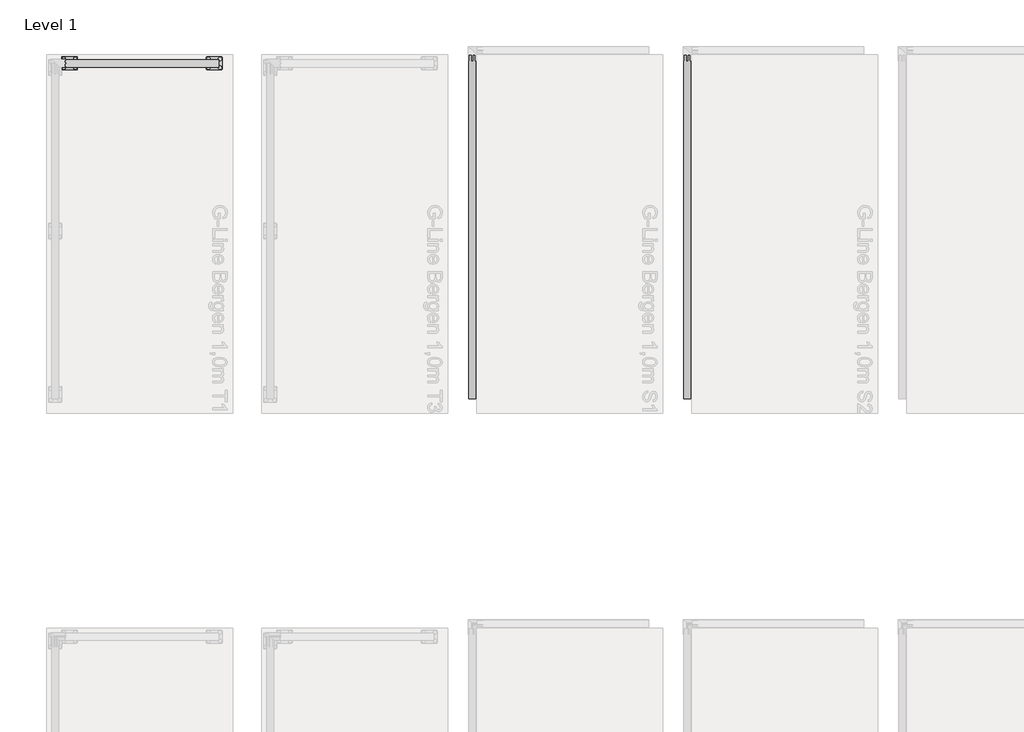
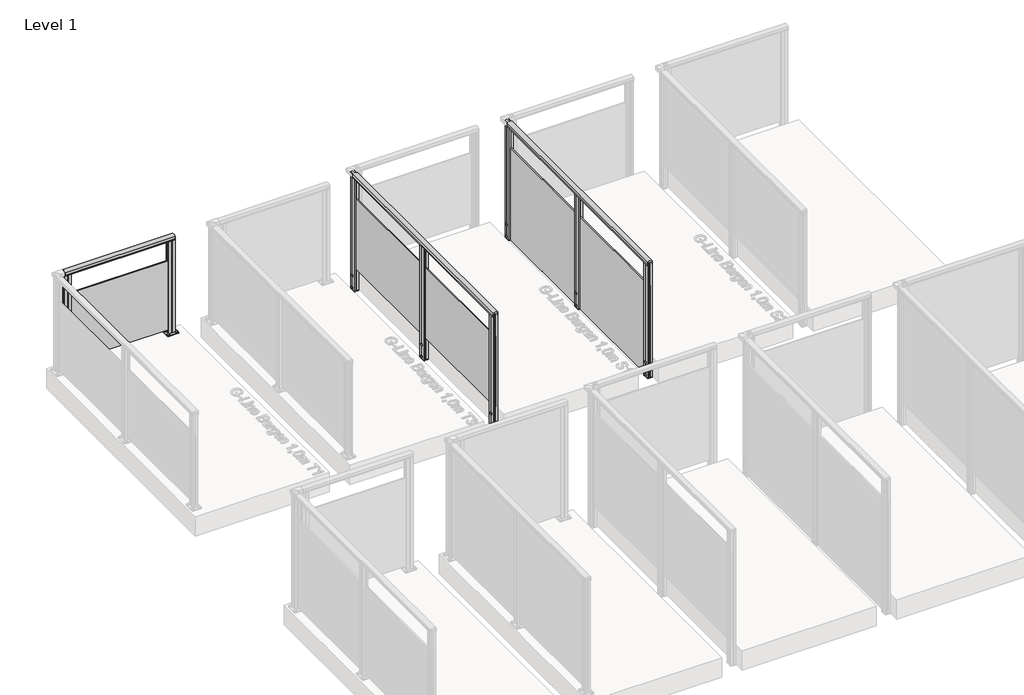
# One storey, part 6 of 13: 3 railings.
"""IFC4 building model written with IfcOpenShell, lengths in millimetres."""

import ifcopenshell
import ifcopenshell.guid

model = None  # the IFC model being written
_history = None  # IfcOwnerHistory: only IFC2X3 demands one
_inside = {}  # id of a spatial element -> (the spatial element, [elements in it])
_under = {}  # id of a project, library or spatial element -> (it, [spatial elements below it])
_declared = {}  # id of a project -> (the project, [libraries it declares])
_typed = {}  # id of a type object -> (the type object, [elements of that type])
_made_of = {}  # id of a material, layer set ... -> (it, [elements and type objects made of it])


def new_model(schema):
    """Start an empty IFC model of exactly this schema.

    Asked for "IFC4X3", IfcOpenShell would pick the latest addendum, in which some entities
    have other attributes; the version numbers below select the first issue.
    IFC2X3 requires an IfcOwnerHistory on every rooted entity: one is made here for all.
    """
    global model, _history
    if schema == "IFC4X3":
        model = ifcopenshell.file(schema_version=(4, 3, 0, 0))
    else:
        model = ifcopenshell.file(schema=schema)
    _inside.clear()
    _under.clear()
    _declared.clear()
    _typed.clear()
    _made_of.clear()
    _history = None
    if model.schema == "IFC2X3":
        org = make("IfcOrganization", Name="unknown")
        user = make(
            "IfcPersonAndOrganization",
            ThePerson=make("IfcPerson", FamilyName="unknown"),
            TheOrganization=org,
        )
        app = make(
            "IfcApplication",
            ApplicationDeveloper=org,
            Version="unknown",
            ApplicationFullName="unknown",
            ApplicationIdentifier="unknown",
        )
        _history = make(
            "IfcOwnerHistory",
            OwningUser=user,
            OwningApplication=app,
            ChangeAction="ADDED",
            CreationDate=0,
        )
    return model


def make(cls, **values):
    """One entity of the class cls with the attributes given. An attribute that is None is left unset."""
    return model.create_entity(
        cls, **{name: value for name, value in values.items() if value is not None}
    )


def rooted(cls, **values):
    """An entity with a GlobalId (a new one), such as an element, a storey or a relation."""
    return make(cls, GlobalId=ifcopenshell.guid.new(), OwnerHistory=_history, **values)


def si_unit(unit_type, name, prefix=None):
    """IfcSIUnit, for example si_unit("LENGTHUNIT", "METRE", prefix="MILLI")."""
    return make("IfcSIUnit", UnitType=unit_type, Prefix=prefix, Name=name)


def assignment(units):
    """IfcUnitAssignment: the units of a project."""
    return None if units is None else make("IfcUnitAssignment", Units=units)


def point(xyz):
    """IfcCartesianPoint."""
    return None if xyz is None else make("IfcCartesianPoint", Coordinates=xyz)


def direction(xyz):
    """IfcDirection."""
    return None if xyz is None else make("IfcDirection", DirectionRatios=xyz)


def frame(location, z_axis=None, x_axis=None):
    """IfcAxis2Placement3D, a coordinate frame: its origin and axes. An axis left out is left unset."""
    return make(
        "IfcAxis2Placement3D",
        Location=point(location),
        Axis=direction(z_axis),
        RefDirection=direction(x_axis),
    )


def frame_2d(location, x_axis=None):
    """IfcAxis2Placement2D, a coordinate frame in the plane: its origin and x axis."""
    return make(
        "IfcAxis2Placement2D", Location=point(location), RefDirection=direction(x_axis)
    )


def origin():
    """The frame at (0, 0, 0) with its axes left unset."""
    return frame((0.0, 0.0, 0.0))


def origin_with_axes():
    """The frame at (0, 0, 0) with the z axis (0, 0, 1) and the x axis (1, 0, 0) written out."""
    return frame((0.0, 0.0, 0.0), z_axis=(0.0, 0.0, 1.0), x_axis=(1.0, 0.0, 0.0))


def place(relative_to, where):
    """IfcLocalPlacement: puts the frame where relative to a parent placement (None: the world)."""
    return make(
        "IfcLocalPlacement", PlacementRelTo=relative_to, RelativePlacement=where
    )


def context(
    kind, dimensions, precision=None, world=None, true_north=None, identifier=None
):
    """IfcGeometricRepresentationContext, for example the 3D "Model" context."""
    return make(
        "IfcGeometricRepresentationContext",
        ContextIdentifier=identifier,
        ContextType=kind,
        CoordinateSpaceDimension=dimensions,
        Precision=precision,
        WorldCoordinateSystem=world,
        TrueNorth=true_north,
    )


def project(units=None, contexts=None):
    """IfcProject with its units and contexts."""
    return rooted(
        "IfcProject",
        Name="project",
        RepresentationContexts=contexts,
        UnitsInContext=assignment(units),
    )


def spatial(cls, under=None, at=None, **own):
    """A site, building, storey or space (cls), placed at a placement, below another one or the project."""
    s = rooted(cls, ObjectPlacement=at, **own)
    if under is not None:
        _under.setdefault(under.id(), (under, []))[1].append(s)
    return s


def polyline(points):
    """IfcPolyline through the points."""
    return make("IfcPolyline", Points=[point(p) for p in points])


def circle_curve(where, radius):
    """IfcCircle in the frame where."""
    return make("IfcCircle", Position=where, Radius=radius)


def trimmed(basis, trim1, trim2, sense, master):
    """IfcTrimmedCurve: the piece of a basis curve between two trims."""
    return make(
        "IfcTrimmedCurve",
        BasisCurve=basis,
        Trim1=trim1,
        Trim2=trim2,
        SenseAgreement=sense,
        MasterRepresentation=master,
    )


def segment(curve, same_sense, transition):
    """IfcCompositeCurveSegment."""
    return make(
        "IfcCompositeCurveSegment",
        Transition=transition,
        SameSense=same_sense,
        ParentCurve=curve,
    )


def composite_curve(segments, self_intersect=None):
    """IfcCompositeCurve: segments joined end to end."""
    return make("IfcCompositeCurve", Segments=segments, SelfIntersect=self_intersect)


def outline(outer, holes=None, kind="AREA"):
    """IfcArbitraryClosedProfileDef: a profile drawn as a closed curve; with holes, ...WithVoids."""
    if holes is None:
        return make("IfcArbitraryClosedProfileDef", ProfileType=kind, OuterCurve=outer)
    return make(
        "IfcArbitraryProfileDefWithVoids",
        ProfileType=kind,
        OuterCurve=outer,
        InnerCurves=holes,
    )


def extrude(swept, where, along, depth):
    """IfcExtrudedAreaSolid: the profile swept, set in the frame where, extruded along a direction by depth."""
    return make(
        "IfcExtrudedAreaSolid",
        SweptArea=swept,
        Position=where,
        ExtrudedDirection=direction(along),
        Depth=depth,
    )


def shape(context_of_items, identifier, shape_type, items):
    """IfcShapeRepresentation: the items that make up one representation, for example the "Body"."""
    return make(
        "IfcShapeRepresentation",
        ContextOfItems=context_of_items,
        RepresentationIdentifier=identifier,
        RepresentationType=shape_type,
        Items=items,
    )


def made_of(thing, what):
    """Note that an element or type object is made of a material, layer set ...; save() writes the relation."""
    if what is not None:
        _made_of.setdefault(what.id(), (what, []))[1].append(thing)
    return thing


def element(
    cls,
    number,
    at=None,
    inside=None,
    cuts=None,
    type_object=None,
    material=None,
    context=None,
    identifier="Body",
    shape_type=None,
    held_by="IfcProductDefinitionShape",
    body=None,
    shapes=None,
    **own,
):
    """One element of the class cls, such as IfcWall. Its Tag is "e" and its number.

    at: its placement. inside: the storey or other place that contains it. cuts: it is an
    opening in that element (IfcRelVoidsElement). A single representation is given by context,
    identifier, shape_type and body (its items); several are given by shapes. held_by: the class
    of the entity that holds the representations. save() writes the other relations.
    """
    e = rooted(cls, Tag="e%d" % number, ObjectPlacement=at, **own)
    if body is not None:
        shapes = [shape(context, identifier, shape_type, body)]
    if shapes is not None:
        e.Representation = make(held_by, Representations=shapes)
    if inside is not None:
        _inside.setdefault(inside.id(), (inside, []))[1].append(e)
    if cuts is not None:
        rooted(
            "IfcRelVoidsElement", RelatingBuildingElement=cuts, RelatedOpeningElement=e
        )
    if type_object is not None:
        _typed.setdefault(type_object.id(), (type_object, []))[1].append(e)
    return made_of(e, material)


def aggregate(whole, parts):
    """IfcRelAggregates: a whole, such as a stair, and the parts it consists of."""
    return rooted("IfcRelAggregates", RelatingObject=whole, RelatedObjects=parts)


def save(model, path):
    """Write the relations noted so far, then the file.

    IfcRelAggregates (storeys below a building ...), IfcRelContainedInSpatialStructure (elements
    in a storey), IfcRelDefinesByType, IfcRelAssociatesMaterial and IfcRelDeclares: one each for
    every whole, place, type object, material and project.
    """
    for whole, parts in _under.values():
        aggregate(whole, parts)
    for where, things in _inside.values():
        rooted(
            "IfcRelContainedInSpatialStructure",
            RelatedElements=things,
            RelatingStructure=where,
        )
    for kind, things in _typed.values():
        rooted("IfcRelDefinesByType", RelatedObjects=things, RelatingType=kind)
    for what, things in _made_of.values():
        rooted("IfcRelAssociatesMaterial", RelatedObjects=things, RelatingMaterial=what)
    for by, libraries in _declared.values():
        rooted("IfcRelDeclares", RelatingContext=by, RelatedDefinitions=libraries)
    model.write(path)


model = new_model("IFC4")

# Units and contexts
model_context = context("Model", 3, world=origin())
ifc_project = project(units=[si_unit("LENGTHUNIT", "METRE", prefix="MILLI")], contexts=[model_context])

# Site, building, storey
site = spatial("IfcSite", under=ifc_project)
building = spatial("IfcBuilding", under=site)
storey = spatial("IfcBuildingStorey", under=building, Name="Level 1", Elevation=0.0)

# Railings
placement = place(None, origin())
element("IfcRailing", 1, at=placement, inside=storey, context=model_context, shape_type="SweptSolid", body=[
    extrude(outline(composite_curve([segment(trimmed(circle_curve(frame_2d((2299.6292736, 942.6785502)), 57.3235687), [point((2274.3743133, 994.1390059))], [point((2324.8939716, 994.1342258))], False, "CARTESIAN"), True, "CONTINUOUS"), segment(polyline([(2324.8939716, 994.1342258), (2324.8939716, 967.0235023), (2324.3120398, 966.4415706), (2324.9341209, 965.8194895), (2324.9341209, 957.2498847), (2323.129168, 957.2498847), (2323.129168, 980.4998829), (2276.1341218, 980.4998829), (2276.1341218, 957.2498847), (2274.3743133, 957.2498847), (2274.3743133, 965.9694895), (2274.9890963, 966.5842725), (2274.3743133, 967.1990555), (2274.3743133, 994.1390059)]), True, "CONTINUOUS")], self_intersect=False)), frame((-5667.7109978, 0.0, 0.0), z_axis=(1.0, 0.0, 0.0), x_axis=(0.0, 1.0, 0.0)), (0.0, 0.0, 1.0), 1070.0),
    extrude(outline(polyline([(-4597.7109978, 2304.7340897), (-4597.7109978, 2295.9740897), (-5667.7109978, 2295.9740897), (-5667.7109978, 2304.7340897), (-4597.7109978, 2304.7340897)])), frame((0.0, 0.0, 40.0), z_axis=(0.0, 0.0, 1.0), x_axis=(1.0, 0.0, 0.0)), (0.0, 0.0, 1.0), 710.0),
    extrude(outline(composite_curve([segment(trimmed(circle_curve(frame_2d((-5597.7109978, 2330.3540897)), 11.9621755), [point((-5597.7109978, 2342.3162651))], [point((-5597.7109978, 2318.3919142))], False, "CARTESIAN"), True, "CONTINUOUS"), segment(trimmed(circle_curve(frame_2d((-5597.7109978, 2330.3540897)), 11.9621755), [point((-5597.7109978, 2318.3919142))], [point((-5597.7109978, 2342.3162651))], False, "CARTESIAN"), True, "CONTINUOUS")], self_intersect=False)), frame((0.0, 0.0, 10.0), z_axis=(0.0, 0.0, 1.0), x_axis=(1.0, 0.0, 0.0)), (0.0, 0.0, 1.0), 5.0),
    extrude(outline(composite_curve([segment(trimmed(circle_curve(frame_2d((-5597.7109978, 2270.3540897)), 11.9621755), [point((-5597.7109978, 2282.3162651))], [point((-5597.7109978, 2258.3919142))], False, "CARTESIAN"), True, "CONTINUOUS"), segment(trimmed(circle_curve(frame_2d((-5597.7109978, 2270.3540897)), 11.9621755), [point((-5597.7109978, 2258.3919142))], [point((-5597.7109978, 2282.3162651))], False, "CARTESIAN"), True, "CONTINUOUS")], self_intersect=False)), frame((0.0, 0.0, 10.0), z_axis=(0.0, 0.0, 1.0), x_axis=(1.0, 0.0, 0.0)), (0.0, 0.0, 1.0), 5.0),
    extrude(outline(composite_curve([segment(trimmed(circle_curve(frame_2d((-5677.7109978, 2330.3540897)), 11.9621755), [point((-5677.7109978, 2342.3162651))], [point((-5677.7109978, 2318.3919142))], False, "CARTESIAN"), True, "CONTINUOUS"), segment(trimmed(circle_curve(frame_2d((-5677.7109978, 2330.3540897)), 11.9621755), [point((-5677.7109978, 2318.3919142))], [point((-5677.7109978, 2342.3162651))], False, "CARTESIAN"), True, "CONTINUOUS")], self_intersect=False)), frame((0.0, 0.0, 10.0), z_axis=(0.0, 0.0, 1.0), x_axis=(1.0, 0.0, 0.0)), (0.0, 0.0, 1.0), 5.0),
    extrude(outline(composite_curve([segment(trimmed(circle_curve(frame_2d((-5677.7109978, 2270.3540897)), 11.9621755), [point((-5677.7109978, 2282.3162651))], [point((-5677.7109978, 2258.3919142))], False, "CARTESIAN"), True, "CONTINUOUS"), segment(trimmed(circle_curve(frame_2d((-5677.7109978, 2270.3540897)), 11.9621755), [point((-5677.7109978, 2258.3919142))], [point((-5677.7109978, 2282.3162651))], False, "CARTESIAN"), True, "CONTINUOUS")], self_intersect=False)), frame((0.0, 0.0, 10.0), z_axis=(0.0, 0.0, 1.0), x_axis=(1.0, 0.0, 0.0)), (0.0, 0.0, 1.0), 5.0),
    extrude(outline(composite_curve([segment(trimmed(circle_curve(frame_2d((-5587.7109978, 2260.3540897)), 5.0), [point((-5582.7109978, 2260.3540897))], [point((-5587.7109978, 2255.3540897))], False, "CARTESIAN"), True, "CONTINUOUS"), segment(polyline([(-5587.7109978, 2255.3540897), (-5687.7109978, 2255.3540897)]), True, "CONTINUOUS"), segment(trimmed(circle_curve(frame_2d((-5687.7109978, 2260.3540897)), 5.0), [point((-5687.7109978, 2255.3540897))], [point((-5692.7109978, 2260.3540897))], False, "CARTESIAN"), True, "CONTINUOUS"), segment(polyline([(-5692.7109978, 2260.3540897), (-5692.7109978, 2340.3540897)]), True, "CONTINUOUS"), segment(trimmed(circle_curve(frame_2d((-5687.7109978, 2340.3540897)), 5.0), [point((-5692.7109978, 2340.3540897))], [point((-5687.7109978, 2345.3540897))], False, "CARTESIAN"), True, "CONTINUOUS"), segment(polyline([(-5687.7109978, 2345.3540897), (-5587.7109978, 2345.3540897)]), True, "CONTINUOUS"), segment(trimmed(circle_curve(frame_2d((-5587.7109978, 2340.3540897)), 5.0), [point((-5587.7109978, 2345.3540897))], [point((-5582.7109978, 2340.3540897))], False, "CARTESIAN"), True, "CONTINUOUS"), segment(polyline([(-5582.7109978, 2340.3540897), (-5582.7109978, 2260.3540897)]), True, "CONTINUOUS")], self_intersect=False), holes=[composite_curve([segment(trimmed(circle_curve(frame_2d((-5597.7109978, 2270.3540897)), 6.25), [point((-5597.7109978, 2276.6040897))], [point((-5597.7109978, 2264.1040897))], True, "CARTESIAN"), True, "CONTINUOUS"), segment(trimmed(circle_curve(frame_2d((-5597.7109978, 2270.3540897)), 6.25), [point((-5597.7109978, 2264.1040897))], [point((-5597.7109978, 2276.6040897))], True, "CARTESIAN"), True, "CONTINUOUS")], self_intersect=False), composite_curve([segment(trimmed(circle_curve(frame_2d((-5597.7109978, 2330.3540897)), 6.25), [point((-5597.7109978, 2336.6040897))], [point((-5597.7109978, 2324.1040897))], True, "CARTESIAN"), True, "CONTINUOUS"), segment(trimmed(circle_curve(frame_2d((-5597.7109978, 2330.3540897)), 6.25), [point((-5597.7109978, 2324.1040897))], [point((-5597.7109978, 2336.6040897))], True, "CARTESIAN"), True, "CONTINUOUS")], self_intersect=False), composite_curve([segment(trimmed(circle_curve(frame_2d((-5677.7109978, 2330.3540897)), 6.25), [point((-5677.7109978, 2336.6040897))], [point((-5677.7109978, 2324.1040897))], True, "CARTESIAN"), True, "CONTINUOUS"), segment(trimmed(circle_curve(frame_2d((-5677.7109978, 2330.3540897)), 6.25), [point((-5677.7109978, 2324.1040897))], [point((-5677.7109978, 2336.6040897))], True, "CARTESIAN"), True, "CONTINUOUS")], self_intersect=False), composite_curve([segment(trimmed(circle_curve(frame_2d((-5677.7109978, 2270.3540897)), 6.25), [point((-5677.7109978, 2276.6040897))], [point((-5677.7109978, 2264.1040897))], True, "CARTESIAN"), True, "CONTINUOUS"), segment(trimmed(circle_curve(frame_2d((-5677.7109978, 2270.3540897)), 6.25), [point((-5677.7109978, 2264.1040897))], [point((-5677.7109978, 2276.6040897))], True, "CARTESIAN"), True, "CONTINUOUS")], self_intersect=False)]), origin_with_axes(), (0.0, 0.0, 1.0), 10.0),
    extrude(outline(polyline([(-5667.7094047, 2304.6999516), (-5667.7120769, 2322.8449514), (-5638.7450899, 2322.8492174), (-5637.7166457, 2321.8210761), (-5636.7285472, 2322.8094657), (-5607.7120717, 2322.8137389), (-5607.7094054, 2304.7087878), (-5625.2094052, 2304.7062106), (-5625.2081151, 2295.9462107), (-5607.7081153, 2295.9487879), (-5607.7054505, 2277.8537881), (-5636.6724374, 2277.8495221), (-5637.7103053, 2278.7678545), (-5638.5884687, 2277.8894323), (-5667.7054557, 2277.8851443), (-5667.7081146, 2295.9399517), (-5650.2081148, 2295.9425289), (-5650.2094049, 2304.7025288), (-5667.7094047, 2304.6999516)]), holes=[polyline([(-5628.9117828, 2279.848074), (-5628.9117828, 2320.8506655), (-5646.5057446, 2320.8506655), (-5646.5057446, 2279.848074), (-5628.9117828, 2279.848074)]), polyline([(-5609.711783, 2306.7059602), (-5609.711783, 2320.8534931), (-5626.9096997, 2320.8534931), (-5626.9096997, 2306.7059602), (-5609.711783, 2306.7059602)]), polyline([(-5609.7078207, 2279.848074), (-5609.7078207, 2293.9484934), (-5626.9057444, 2293.9484934), (-5626.9057444, 2279.848074), (-5609.7078207, 2279.848074)]), polyline([(-5648.5117826, 2306.7002462), (-5648.5117826, 2320.847779), (-5665.7096993, 2320.847779), (-5665.7096993, 2306.7002462), (-5648.5117826, 2306.7002462)]), polyline([(-5648.5078203, 2279.7952464), (-5648.5078203, 2293.9427793), (-5665.705737, 2293.9427793), (-5665.705737, 2279.7952464), (-5648.5078203, 2279.7952464)])]), frame((0.0, 0.0, 10.0), z_axis=(0.0, 0.0, 1.0), x_axis=(1.0, 0.0, 0.0)), (0.0, 0.0, 1.0), 971.0),
    extrude(outline(composite_curve([segment(trimmed(circle_curve(frame_2d((-4587.7109978, 2330.3540897)), 11.9621755), [point((-4587.7109978, 2342.3162651))], [point((-4587.7109978, 2318.3919142))], False, "CARTESIAN"), True, "CONTINUOUS"), segment(trimmed(circle_curve(frame_2d((-4587.7109978, 2330.3540897)), 11.9621755), [point((-4587.7109978, 2318.3919142))], [point((-4587.7109978, 2342.3162651))], False, "CARTESIAN"), True, "CONTINUOUS")], self_intersect=False)), frame((0.0, 0.0, 10.0), z_axis=(0.0, 0.0, 1.0), x_axis=(1.0, 0.0, 0.0)), (0.0, 0.0, 1.0), 5.0),
    extrude(outline(composite_curve([segment(trimmed(circle_curve(frame_2d((-4587.7109978, 2270.3540897)), 11.9621755), [point((-4587.7109978, 2282.3162651))], [point((-4587.7109978, 2258.3919142))], False, "CARTESIAN"), True, "CONTINUOUS"), segment(trimmed(circle_curve(frame_2d((-4587.7109978, 2270.3540897)), 11.9621755), [point((-4587.7109978, 2258.3919142))], [point((-4587.7109978, 2282.3162651))], False, "CARTESIAN"), True, "CONTINUOUS")], self_intersect=False)), frame((0.0, 0.0, 10.0), z_axis=(0.0, 0.0, 1.0), x_axis=(1.0, 0.0, 0.0)), (0.0, 0.0, 1.0), 5.0),
    extrude(outline(composite_curve([segment(trimmed(circle_curve(frame_2d((-4667.7109978, 2330.3540897)), 11.9621755), [point((-4667.7109978, 2342.3162651))], [point((-4667.7109978, 2318.3919142))], False, "CARTESIAN"), True, "CONTINUOUS"), segment(trimmed(circle_curve(frame_2d((-4667.7109978, 2330.3540897)), 11.9621755), [point((-4667.7109978, 2318.3919142))], [point((-4667.7109978, 2342.3162651))], False, "CARTESIAN"), True, "CONTINUOUS")], self_intersect=False)), frame((0.0, 0.0, 10.0), z_axis=(0.0, 0.0, 1.0), x_axis=(1.0, 0.0, 0.0)), (0.0, 0.0, 1.0), 5.0),
    extrude(outline(composite_curve([segment(trimmed(circle_curve(frame_2d((-4667.7109978, 2270.3540897)), 11.9621755), [point((-4667.7109978, 2282.3162651))], [point((-4667.7109978, 2258.3919142))], False, "CARTESIAN"), True, "CONTINUOUS"), segment(trimmed(circle_curve(frame_2d((-4667.7109978, 2270.3540897)), 11.9621755), [point((-4667.7109978, 2258.3919142))], [point((-4667.7109978, 2282.3162651))], False, "CARTESIAN"), True, "CONTINUOUS")], self_intersect=False)), frame((0.0, 0.0, 10.0), z_axis=(0.0, 0.0, 1.0), x_axis=(1.0, 0.0, 0.0)), (0.0, 0.0, 1.0), 5.0),
    extrude(outline(composite_curve([segment(trimmed(circle_curve(frame_2d((-4577.7109978, 2260.3540897)), 5.0), [point((-4572.7109978, 2260.3540897))], [point((-4577.7109978, 2255.3540897))], False, "CARTESIAN"), True, "CONTINUOUS"), segment(polyline([(-4577.7109978, 2255.3540897), (-4677.7109978, 2255.3540897)]), True, "CONTINUOUS"), segment(trimmed(circle_curve(frame_2d((-4677.7109978, 2260.3540897)), 5.0), [point((-4677.7109978, 2255.3540897))], [point((-4682.7109978, 2260.3540897))], False, "CARTESIAN"), True, "CONTINUOUS"), segment(polyline([(-4682.7109978, 2260.3540897), (-4682.7109978, 2340.3540897)]), True, "CONTINUOUS"), segment(trimmed(circle_curve(frame_2d((-4677.7109978, 2340.3540897)), 5.0), [point((-4682.7109978, 2340.3540897))], [point((-4677.7109978, 2345.3540897))], False, "CARTESIAN"), True, "CONTINUOUS"), segment(polyline([(-4677.7109978, 2345.3540897), (-4577.7109978, 2345.3540897)]), True, "CONTINUOUS"), segment(trimmed(circle_curve(frame_2d((-4577.7109978, 2340.3540897)), 5.0), [point((-4577.7109978, 2345.3540897))], [point((-4572.7109978, 2340.3540897))], False, "CARTESIAN"), True, "CONTINUOUS"), segment(polyline([(-4572.7109978, 2340.3540897), (-4572.7109978, 2260.3540897)]), True, "CONTINUOUS")], self_intersect=False), holes=[composite_curve([segment(trimmed(circle_curve(frame_2d((-4587.7109978, 2270.3540897)), 6.25), [point((-4587.7109978, 2276.6040897))], [point((-4587.7109978, 2264.1040897))], True, "CARTESIAN"), True, "CONTINUOUS"), segment(trimmed(circle_curve(frame_2d((-4587.7109978, 2270.3540897)), 6.25), [point((-4587.7109978, 2264.1040897))], [point((-4587.7109978, 2276.6040897))], True, "CARTESIAN"), True, "CONTINUOUS")], self_intersect=False), composite_curve([segment(trimmed(circle_curve(frame_2d((-4587.7109978, 2330.3540897)), 6.25), [point((-4587.7109978, 2336.6040897))], [point((-4587.7109978, 2324.1040897))], True, "CARTESIAN"), True, "CONTINUOUS"), segment(trimmed(circle_curve(frame_2d((-4587.7109978, 2330.3540897)), 6.25), [point((-4587.7109978, 2324.1040897))], [point((-4587.7109978, 2336.6040897))], True, "CARTESIAN"), True, "CONTINUOUS")], self_intersect=False), composite_curve([segment(trimmed(circle_curve(frame_2d((-4667.7109978, 2330.3540897)), 6.25), [point((-4667.7109978, 2336.6040897))], [point((-4667.7109978, 2324.1040897))], True, "CARTESIAN"), True, "CONTINUOUS"), segment(trimmed(circle_curve(frame_2d((-4667.7109978, 2330.3540897)), 6.25), [point((-4667.7109978, 2324.1040897))], [point((-4667.7109978, 2336.6040897))], True, "CARTESIAN"), True, "CONTINUOUS")], self_intersect=False), composite_curve([segment(trimmed(circle_curve(frame_2d((-4667.7109978, 2270.3540897)), 6.25), [point((-4667.7109978, 2276.6040897))], [point((-4667.7109978, 2264.1040897))], True, "CARTESIAN"), True, "CONTINUOUS"), segment(trimmed(circle_curve(frame_2d((-4667.7109978, 2270.3540897)), 6.25), [point((-4667.7109978, 2264.1040897))], [point((-4667.7109978, 2276.6040897))], True, "CARTESIAN"), True, "CONTINUOUS")], self_intersect=False)]), origin_with_axes(), (0.0, 0.0, 1.0), 10.0),
    extrude(outline(polyline([(-4657.7094047, 2304.6999516), (-4657.7120769, 2322.8449514), (-4628.7450899, 2322.8492174), (-4627.7166457, 2321.8210761), (-4626.7285472, 2322.8094657), (-4597.7120717, 2322.8137389), (-4597.7094054, 2304.7087878), (-4615.2094052, 2304.7062106), (-4615.2081151, 2295.9462107), (-4597.7081153, 2295.9487879), (-4597.7054505, 2277.8537881), (-4626.6724374, 2277.8495221), (-4627.7103053, 2278.7678545), (-4628.5884687, 2277.8894323), (-4657.7054557, 2277.8851443), (-4657.7081146, 2295.9399517), (-4640.2081148, 2295.9425289), (-4640.2094049, 2304.7025288), (-4657.7094047, 2304.6999516)]), holes=[polyline([(-4618.9117828, 2279.848074), (-4618.9117828, 2320.8506655), (-4636.5057446, 2320.8506655), (-4636.5057446, 2279.848074), (-4618.9117828, 2279.848074)]), polyline([(-4599.711783, 2306.7059602), (-4599.711783, 2320.8534931), (-4616.9096997, 2320.8534931), (-4616.9096997, 2306.7059602), (-4599.711783, 2306.7059602)]), polyline([(-4599.7078207, 2279.848074), (-4599.7078207, 2293.9484934), (-4616.9057444, 2293.9484934), (-4616.9057444, 2279.848074), (-4599.7078207, 2279.848074)]), polyline([(-4638.5117826, 2306.7002462), (-4638.5117826, 2320.847779), (-4655.7096993, 2320.847779), (-4655.7096993, 2306.7002462), (-4638.5117826, 2306.7002462)]), polyline([(-4638.5078203, 2279.7952464), (-4638.5078203, 2293.9427793), (-4655.705737, 2293.9427793), (-4655.705737, 2279.7952464), (-4638.5078203, 2279.7952464)])]), frame((0.0, 0.0, 10.0), z_axis=(0.0, 0.0, 1.0), x_axis=(1.0, 0.0, 0.0)), (0.0, 0.0, 1.0), 971.0),
])
element("IfcRailing", 2, at=placement, inside=storey, context=model_context, shape_type="SweptSolid", body=[
    extrude(outline(composite_curve([segment(trimmed(circle_curve(frame_2d((57.3214498, -0.0047199)), 57.3235687), [point((5.8609941, -25.2596802))], [point((5.8657742, 25.2599781))], False, "CARTESIAN"), True, "CONTINUOUS"), segment(polyline([(5.8657742, 25.2599781), (32.9764977, 25.2599781), (33.5584294, 24.6780463), (34.1805105, 25.3001274), (42.7501153, 25.3001274), (42.7501153, 23.4951745), (19.5001171, 23.4951745), (19.5001171, -23.4998716), (42.7501153, -23.4998716), (42.7501153, -25.2596802), (34.0305105, -25.2596802), (33.4157275, -24.6448972), (32.8009445, -25.2596802), (5.8609941, -25.2596802)]), True, "CONTINUOUS")], self_intersect=False)), frame((-2828.431094, -39.6459103, 1000.0), z_axis=(1.9358301858992035e-12, 1.0, 0.0), x_axis=(0.0, 0.0, -1.0)), (0.0, 0.0, 1.0), 2395.0),
    extrude(outline(polyline([(-2832.0909978, 2355.3540897), (-2823.3309978, 2355.3540897), (-2823.3309978, -39.6459103), (-2832.0909978, -39.6459103), (-2832.0909978, 2355.3540897)])), frame((0.0, 0.0, 28.0), z_axis=(0.0, 0.0, 1.0), x_axis=(1.0, 0.0, 0.0)), (0.0, 0.0, 1.0), 722.0),
    extrude(outline(polyline([(-2823.3651358, 1127.8556828), (-2823.3625586, 1145.3556826), (-2832.1225585, 1145.3569727), (-2832.1251357, 1127.8569728), (-2850.1799432, 1127.8596318), (-2850.1756551, 1156.9766187), (-2849.297233, 1157.8547822), (-2850.2155653, 1158.89265), (-2850.2112994, 1187.859637), (-2832.1162996, 1187.8569722), (-2832.1188768, 1170.3569724), (-2823.3588769, 1170.3556823), (-2823.3562997, 1187.8556821), (-2805.2513486, 1187.8530158), (-2805.2556218, 1158.8365403), (-2806.2440114, 1157.8484418), (-2805.2158701, 1156.8199976), (-2805.220136, 1127.8530106), (-2823.3651358, 1127.8556828)])), frame((0.0, 0.0, -202.0233958), z_axis=(0.0, 0.0, 1.0), x_axis=(1.0, 0.0, 0.0)), (0.0, 0.0, 1.0), 2.0),
    extrude(outline(composite_curve([segment(trimmed(circle_curve(frame_2d((0.0, 12.0000001)), 12.0), [point((0.0, 24.0))], [point((0.0, 0.0))], False, "CARTESIAN"), True, "CONTINUOUS"), segment(trimmed(circle_curve(frame_2d((0.0, 12.0000001)), 12.0), [point((0.0, 0.0))], [point((0.0, 24.0))], False, "CARTESIAN"), True, "CONTINUOUS")], self_intersect=False)), frame((-2850.1704629, 1169.8631273, -175.0), z_axis=(-0.9999999188283998, 0.0004029183466235713, 0.0), x_axis=(0.0, 0.0, -1.0)), (0.0, 0.0, 1.0), 3.0757477),
    extrude(outline(composite_curve([segment(trimmed(circle_curve(frame_2d((0.0, 12.0000001)), 12.0), [point((0.0, 24.0))], [point((0.0, 0.0))], False, "CARTESIAN"), True, "CONTINUOUS"), segment(trimmed(circle_curve(frame_2d((0.0, 12.0000001)), 12.0), [point((0.0, 0.0))], [point((0.0, 24.0))], False, "CARTESIAN"), True, "CONTINUOUS")], self_intersect=False)), frame((-2850.1704629, 1169.8631273, -50.0), z_axis=(-0.9999999188283998, 0.0004029183466235713, 0.0), x_axis=(0.0, 0.0, -1.0)), (0.0, 0.0, 1.0), 3.0757477),
    extrude(outline(polyline([(-2823.3651358, 1127.8556828), (-2823.3625586, 1145.3556826), (-2832.1225585, 1145.3569727), (-2832.1251357, 1127.8569728), (-2850.1799432, 1127.8596318), (-2850.1756551, 1156.9766187), (-2849.297233, 1157.8547822), (-2850.2155653, 1158.89265), (-2850.2112994, 1187.859637), (-2832.1162996, 1187.8569722), (-2832.1188768, 1170.3569724), (-2823.3588769, 1170.3556823), (-2823.3562997, 1187.8556821), (-2805.2513486, 1187.8530158), (-2805.2556218, 1158.8365403), (-2806.2440114, 1157.8484418), (-2805.2158701, 1156.8199976), (-2805.220136, 1127.8530106), (-2823.3651358, 1127.8556828)]), holes=[polyline([(-2848.2170135, 1166.6533047), (-2848.2170135, 1149.0593429), (-2807.214422, 1149.0593429), (-2807.214422, 1166.6533047), (-2848.2170135, 1166.6533047)]), polyline([(-2821.3591273, 1185.8533045), (-2821.3591273, 1168.6553878), (-2807.2115944, 1168.6553878), (-2807.2115944, 1185.8533045), (-2821.3591273, 1185.8533045)]), polyline([(-2848.2170135, 1185.8572667), (-2848.2170135, 1168.6593431), (-2834.1165941, 1168.6593431), (-2834.1165941, 1185.8572667), (-2848.2170135, 1185.8572667)]), polyline([(-2821.3648413, 1147.0533049), (-2821.3648413, 1129.8553882), (-2807.2173084, 1129.8553882), (-2807.2173084, 1147.0533049), (-2821.3648413, 1147.0533049)]), polyline([(-2848.269841, 1147.0572672), (-2848.269841, 1129.8593505), (-2834.1223082, 1129.8593505), (-2834.1223082, 1147.0572672), (-2848.269841, 1147.0572672)])]), frame((0.0, 0.0, -200.0), z_axis=(0.0, 0.0, 1.0), x_axis=(1.0, 0.0, 0.0)), (0.0, 0.0, 1.0), 1181.0),
    extrude(outline(polyline([(-2823.3651358, -39.6443172), (-2823.3625586, -22.1443174), (-2832.1225585, -22.1430273), (-2832.1251357, -39.6430272), (-2850.1799432, -39.6403682), (-2850.1756551, -10.5233813), (-2849.297233, -9.6452178), (-2850.2155653, -8.60735), (-2850.2112994, 20.359637), (-2832.1162996, 20.3569722), (-2832.1188768, 2.8569724), (-2823.3588769, 2.8556823), (-2823.3562997, 20.3556821), (-2805.2513486, 20.3530158), (-2805.2556218, -8.6634597), (-2806.2440114, -9.6515582), (-2805.2158701, -10.6800024), (-2805.220136, -39.6469894), (-2823.3651358, -39.6443172)])), frame((0.0, 0.0, -202.0233958), z_axis=(0.0, 0.0, 1.0), x_axis=(1.0, 0.0, 0.0)), (0.0, 0.0, 1.0), 2.0),
    extrude(outline(composite_curve([segment(trimmed(circle_curve(frame_2d((0.0, 12.0000001)), 12.0), [point((0.0, 24.0))], [point((0.0, 0.0))], False, "CARTESIAN"), True, "CONTINUOUS"), segment(trimmed(circle_curve(frame_2d((0.0, 12.0000001)), 12.0), [point((0.0, 0.0))], [point((0.0, 24.0))], False, "CARTESIAN"), True, "CONTINUOUS")], self_intersect=False)), frame((-2850.1704629, 2.3631273, -175.0), z_axis=(-0.9999999188283998, 0.0004029183466235713, 0.0), x_axis=(0.0, 0.0, -1.0)), (0.0, 0.0, 1.0), 3.0757477),
    extrude(outline(composite_curve([segment(trimmed(circle_curve(frame_2d((0.0, 12.0000001)), 12.0), [point((0.0, 24.0))], [point((0.0, 0.0))], False, "CARTESIAN"), True, "CONTINUOUS"), segment(trimmed(circle_curve(frame_2d((0.0, 12.0000001)), 12.0), [point((0.0, 0.0))], [point((0.0, 24.0))], False, "CARTESIAN"), True, "CONTINUOUS")], self_intersect=False)), frame((-2850.1704629, 2.3631273, -50.0), z_axis=(-0.9999999188283998, 0.0004029183466235713, 0.0), x_axis=(0.0, 0.0, -1.0)), (0.0, 0.0, 1.0), 3.0757477),
    extrude(outline(polyline([(-2823.3651358, -39.6443172), (-2823.3625586, -22.1443174), (-2832.1225585, -22.1430273), (-2832.1251357, -39.6430272), (-2850.1799432, -39.6403682), (-2850.1756551, -10.5233813), (-2849.297233, -9.6452178), (-2850.2155653, -8.60735), (-2850.2112994, 20.359637), (-2832.1162996, 20.3569722), (-2832.1188768, 2.8569724), (-2823.3588769, 2.8556823), (-2823.3562997, 20.3556821), (-2805.2513486, 20.3530158), (-2805.2556218, -8.6634597), (-2806.2440114, -9.6515582), (-2805.2158701, -10.6800024), (-2805.220136, -39.6469894), (-2823.3651358, -39.6443172)]), holes=[polyline([(-2848.2170135, -0.8466953), (-2848.2170135, -18.4406571), (-2807.214422, -18.4406571), (-2807.214422, -0.8466953), (-2848.2170135, -0.8466953)]), polyline([(-2821.3591273, 18.3533045), (-2821.3591273, 1.1553878), (-2807.2115944, 1.1553878), (-2807.2115944, 18.3533045), (-2821.3591273, 18.3533045)]), polyline([(-2848.2170135, 18.3572667), (-2848.2170135, 1.1593431), (-2834.1165941, 1.1593431), (-2834.1165941, 18.3572667), (-2848.2170135, 18.3572667)]), polyline([(-2821.3648413, -20.4466951), (-2821.3648413, -37.6446118), (-2807.2173084, -37.6446118), (-2807.2173084, -20.4466951), (-2821.3648413, -20.4466951)]), polyline([(-2848.269841, -20.4427328), (-2848.269841, -37.6406495), (-2834.1223082, -37.6406495), (-2834.1223082, -20.4427328), (-2848.269841, -20.4427328)])]), frame((0.0, 0.0, -200.0), z_axis=(0.0, 0.0, 1.0), x_axis=(1.0, 0.0, 0.0)), (0.0, 0.0, 1.0), 1181.0),
    extrude(outline(polyline([(-2823.3651358, 2295.3556828), (-2823.3625586, 2312.8556826), (-2832.1225585, 2312.8569727), (-2832.1251357, 2295.3569728), (-2850.1799432, 2295.3596318), (-2850.1756551, 2324.4766187), (-2849.297233, 2325.3547822), (-2850.2155653, 2326.39265), (-2850.2112994, 2355.359637), (-2832.1162996, 2355.3569722), (-2832.1188768, 2337.8569724), (-2823.3588769, 2337.8556823), (-2823.3562997, 2355.3556821), (-2805.2513486, 2355.3530158), (-2805.2556218, 2326.3365403), (-2806.2440114, 2325.3484418), (-2805.2158701, 2324.3199976), (-2805.220136, 2295.3530106), (-2823.3651358, 2295.3556828)])), frame((0.0, 0.0, -202.0233958), z_axis=(0.0, 0.0, 1.0), x_axis=(1.0, 0.0, 0.0)), (0.0, 0.0, 1.0), 2.0),
    extrude(outline(composite_curve([segment(trimmed(circle_curve(frame_2d((0.0, 12.0000001)), 12.0), [point((0.0, 24.0))], [point((0.0, 0.0))], False, "CARTESIAN"), True, "CONTINUOUS"), segment(trimmed(circle_curve(frame_2d((0.0, 12.0000001)), 12.0), [point((0.0, 0.0))], [point((0.0, 24.0))], False, "CARTESIAN"), True, "CONTINUOUS")], self_intersect=False)), frame((-2850.1704629, 2337.3631273, -175.0), z_axis=(-0.9999999188283998, 0.0004029183466235713, 0.0), x_axis=(0.0, 0.0, -1.0)), (0.0, 0.0, 1.0), 3.0757477),
    extrude(outline(composite_curve([segment(trimmed(circle_curve(frame_2d((0.0, 12.0000001)), 12.0), [point((0.0, 24.0))], [point((0.0, 0.0))], False, "CARTESIAN"), True, "CONTINUOUS"), segment(trimmed(circle_curve(frame_2d((0.0, 12.0000001)), 12.0), [point((0.0, 0.0))], [point((0.0, 24.0))], False, "CARTESIAN"), True, "CONTINUOUS")], self_intersect=False)), frame((-2850.1704629, 2337.3631273, -50.0), z_axis=(-0.9999999188283998, 0.0004029183466235713, 0.0), x_axis=(0.0, 0.0, -1.0)), (0.0, 0.0, 1.0), 3.0757477),
    extrude(outline(polyline([(-2823.3651358, 2295.3556828), (-2823.3625586, 2312.8556826), (-2832.1225585, 2312.8569727), (-2832.1251357, 2295.3569728), (-2850.1799432, 2295.3596318), (-2850.1756551, 2324.4766187), (-2849.297233, 2325.3547822), (-2850.2155653, 2326.39265), (-2850.2112994, 2355.359637), (-2832.1162996, 2355.3569722), (-2832.1188768, 2337.8569724), (-2823.3588769, 2337.8556823), (-2823.3562997, 2355.3556821), (-2805.2513486, 2355.3530158), (-2805.2556218, 2326.3365403), (-2806.2440114, 2325.3484418), (-2805.2158701, 2324.3199976), (-2805.220136, 2295.3530106), (-2823.3651358, 2295.3556828)]), holes=[polyline([(-2848.2170135, 2334.1533047), (-2848.2170135, 2316.5593429), (-2807.214422, 2316.5593429), (-2807.214422, 2334.1533047), (-2848.2170135, 2334.1533047)]), polyline([(-2821.3591273, 2353.3533045), (-2821.3591273, 2336.1553878), (-2807.2115944, 2336.1553878), (-2807.2115944, 2353.3533045), (-2821.3591273, 2353.3533045)]), polyline([(-2848.2170135, 2353.3572667), (-2848.2170135, 2336.1593431), (-2834.1165941, 2336.1593431), (-2834.1165941, 2353.3572667), (-2848.2170135, 2353.3572667)]), polyline([(-2821.3648413, 2314.5533049), (-2821.3648413, 2297.3553882), (-2807.2173084, 2297.3553882), (-2807.2173084, 2314.5533049), (-2821.3648413, 2314.5533049)]), polyline([(-2848.269841, 2314.5572672), (-2848.269841, 2297.3593505), (-2834.1223082, 2297.3593505), (-2834.1223082, 2314.5572672), (-2848.269841, 2314.5572672)])]), frame((0.0, 0.0, -200.0), z_axis=(0.0, 0.0, 1.0), x_axis=(1.0, 0.0, 0.0)), (0.0, 0.0, 1.0), 1181.0),
])
element("IfcRailing", 3, at=placement, inside=storey, context=model_context, shape_type="SweptSolid", body=[
    extrude(outline(composite_curve([segment(trimmed(circle_curve(frame_2d((57.3214498, -0.0047199)), 57.3235687), [point((5.8609941, -25.2596802))], [point((5.8657742, 25.2599781))], False, "CARTESIAN"), True, "CONTINUOUS"), segment(polyline([(5.8657742, 25.2599781), (32.9764977, 25.2599781), (33.5584294, 24.6780463), (34.1805105, 25.3001274), (42.7501153, 25.3001274), (42.7501153, 23.4951745), (19.5001171, 23.4951745), (19.5001171, -23.4998716), (42.7501153, -23.4998716), (42.7501153, -25.2596802), (34.0305105, -25.2596802), (33.4157275, -24.6448972), (32.8009445, -25.2596802), (5.8609941, -25.2596802)]), True, "CONTINUOUS")], self_intersect=False)), frame((-1328.431094, -39.6459103, 1000.0), z_axis=(1.9358301858992035e-12, 1.0, 0.0), x_axis=(0.0, 0.0, -1.0)), (0.0, 0.0, 1.0), 2395.0),
    extrude(outline(polyline([(-1328.6066149, 2355.3540897), (-1326.742932, 2355.3540897), (-1326.742932, -39.6459103), (-1328.6066149, -39.6459103), (-1328.6066149, 2355.3540897)])), frame((0.0, 0.0, -200.0), z_axis=(0.0, 0.0, 1.0), x_axis=(1.0, 0.0, 0.0)), (0.0, 0.0, 1.0), 1.1703418),
    extrude(outline(polyline([(-1332.0909978, 2355.3540897), (-1323.3309978, 2355.3540897), (-1323.3309978, -39.6459103), (-1332.0909978, -39.6459103), (-1332.0909978, 2355.3540897)])), frame((0.0, 0.0, -200.0), z_axis=(0.0, 0.0, 1.0), x_axis=(1.0, 0.0, 0.0)), (0.0, 0.0, 1.0), 945.0),
    extrude(outline(polyline([(-1323.3651358, 1127.8556828), (-1323.3625586, 1145.3556826), (-1332.1225585, 1145.3569727), (-1332.1251357, 1127.8569728), (-1350.1799432, 1127.8596318), (-1350.1756551, 1156.9766187), (-1349.297233, 1157.8547822), (-1350.2155653, 1158.89265), (-1350.2112994, 1187.859637), (-1332.1162996, 1187.8569722), (-1332.1188768, 1170.3569724), (-1323.3588769, 1170.3556823), (-1323.3562997, 1187.8556821), (-1305.2513486, 1187.8530158), (-1305.2556218, 1158.8365403), (-1306.2440114, 1157.8484418), (-1305.2158701, 1156.8199976), (-1305.220136, 1127.8530106), (-1323.3651358, 1127.8556828)])), frame((0.0, 0.0, -202.0233958), z_axis=(0.0, 0.0, 1.0), x_axis=(1.0, 0.0, 0.0)), (0.0, 0.0, 1.0), 2.0),
    extrude(outline(composite_curve([segment(trimmed(circle_curve(frame_2d((0.0, 12.0000001)), 12.0), [point((0.0, 24.0))], [point((0.0, 0.0))], False, "CARTESIAN"), True, "CONTINUOUS"), segment(trimmed(circle_curve(frame_2d((0.0, 12.0000001)), 12.0), [point((0.0, 0.0))], [point((0.0, 24.0))], False, "CARTESIAN"), True, "CONTINUOUS")], self_intersect=False)), frame((-1350.1704629, 1169.8631273, -175.0), z_axis=(-0.9999999188283998, 0.0004029183466235713, 0.0), x_axis=(0.0, 0.0, -1.0)), (0.0, 0.0, 1.0), 3.0757477),
    extrude(outline(composite_curve([segment(trimmed(circle_curve(frame_2d((0.0, 12.0000001)), 12.0), [point((0.0, 24.0))], [point((0.0, 0.0))], False, "CARTESIAN"), True, "CONTINUOUS"), segment(trimmed(circle_curve(frame_2d((0.0, 12.0000001)), 12.0), [point((0.0, 0.0))], [point((0.0, 24.0))], False, "CARTESIAN"), True, "CONTINUOUS")], self_intersect=False)), frame((-1350.1704629, 1169.8631273, -50.0), z_axis=(-0.9999999188283998, 0.0004029183466235713, 0.0), x_axis=(0.0, 0.0, -1.0)), (0.0, 0.0, 1.0), 3.0757477),
    extrude(outline(polyline([(-1323.3651358, 1127.8556828), (-1323.3625586, 1145.3556826), (-1332.1225585, 1145.3569727), (-1332.1251357, 1127.8569728), (-1350.1799432, 1127.8596318), (-1350.1756551, 1156.9766187), (-1349.297233, 1157.8547822), (-1350.2155653, 1158.89265), (-1350.2112994, 1187.859637), (-1332.1162996, 1187.8569722), (-1332.1188768, 1170.3569724), (-1323.3588769, 1170.3556823), (-1323.3562997, 1187.8556821), (-1305.2513486, 1187.8530158), (-1305.2556218, 1158.8365403), (-1306.2440114, 1157.8484418), (-1305.2158701, 1156.8199976), (-1305.220136, 1127.8530106), (-1323.3651358, 1127.8556828)]), holes=[polyline([(-1348.2170135, 1166.6533047), (-1348.2170135, 1149.0593429), (-1307.214422, 1149.0593429), (-1307.214422, 1166.6533047), (-1348.2170135, 1166.6533047)]), polyline([(-1321.3591273, 1185.8533045), (-1321.3591273, 1168.6553878), (-1307.2115944, 1168.6553878), (-1307.2115944, 1185.8533045), (-1321.3591273, 1185.8533045)]), polyline([(-1348.2170135, 1185.8572667), (-1348.2170135, 1168.6593431), (-1334.1165941, 1168.6593431), (-1334.1165941, 1185.8572667), (-1348.2170135, 1185.8572667)]), polyline([(-1321.3648413, 1147.0533049), (-1321.3648413, 1129.8553882), (-1307.2173084, 1129.8553882), (-1307.2173084, 1147.0533049), (-1321.3648413, 1147.0533049)]), polyline([(-1348.269841, 1147.0572672), (-1348.269841, 1129.8593505), (-1334.1223082, 1129.8593505), (-1334.1223082, 1147.0572672), (-1348.269841, 1147.0572672)])]), frame((0.0, 0.0, -200.0), z_axis=(0.0, 0.0, 1.0), x_axis=(1.0, 0.0, 0.0)), (0.0, 0.0, 1.0), 1181.0),
    extrude(outline(polyline([(-1323.3651358, -39.6443172), (-1323.3625586, -22.1443174), (-1332.1225585, -22.1430273), (-1332.1251357, -39.6430272), (-1350.1799432, -39.6403682), (-1350.1756551, -10.5233813), (-1349.297233, -9.6452178), (-1350.2155653, -8.60735), (-1350.2112994, 20.359637), (-1332.1162996, 20.3569722), (-1332.1188768, 2.8569724), (-1323.3588769, 2.8556823), (-1323.3562997, 20.3556821), (-1305.2513486, 20.3530158), (-1305.2556218, -8.6634597), (-1306.2440114, -9.6515582), (-1305.2158701, -10.6800024), (-1305.220136, -39.6469894), (-1323.3651358, -39.6443172)])), frame((0.0, 0.0, -202.0233958), z_axis=(0.0, 0.0, 1.0), x_axis=(1.0, 0.0, 0.0)), (0.0, 0.0, 1.0), 2.0),
    extrude(outline(composite_curve([segment(trimmed(circle_curve(frame_2d((0.0, 12.0000001)), 12.0), [point((0.0, 24.0))], [point((0.0, 0.0))], False, "CARTESIAN"), True, "CONTINUOUS"), segment(trimmed(circle_curve(frame_2d((0.0, 12.0000001)), 12.0), [point((0.0, 0.0))], [point((0.0, 24.0))], False, "CARTESIAN"), True, "CONTINUOUS")], self_intersect=False)), frame((-1350.1704629, 2.3631273, -175.0), z_axis=(-0.9999999188283998, 0.0004029183466235713, 0.0), x_axis=(0.0, 0.0, -1.0)), (0.0, 0.0, 1.0), 3.0757477),
    extrude(outline(composite_curve([segment(trimmed(circle_curve(frame_2d((0.0, 12.0000001)), 12.0), [point((0.0, 24.0))], [point((0.0, 0.0))], False, "CARTESIAN"), True, "CONTINUOUS"), segment(trimmed(circle_curve(frame_2d((0.0, 12.0000001)), 12.0), [point((0.0, 0.0))], [point((0.0, 24.0))], False, "CARTESIAN"), True, "CONTINUOUS")], self_intersect=False)), frame((-1350.1704629, 2.3631273, -50.0), z_axis=(-0.9999999188283998, 0.0004029183466235713, 0.0), x_axis=(0.0, 0.0, -1.0)), (0.0, 0.0, 1.0), 3.0757477),
    extrude(outline(polyline([(-1323.3651358, -39.6443172), (-1323.3625586, -22.1443174), (-1332.1225585, -22.1430273), (-1332.1251357, -39.6430272), (-1350.1799432, -39.6403682), (-1350.1756551, -10.5233813), (-1349.297233, -9.6452178), (-1350.2155653, -8.60735), (-1350.2112994, 20.359637), (-1332.1162996, 20.3569722), (-1332.1188768, 2.8569724), (-1323.3588769, 2.8556823), (-1323.3562997, 20.3556821), (-1305.2513486, 20.3530158), (-1305.2556218, -8.6634597), (-1306.2440114, -9.6515582), (-1305.2158701, -10.6800024), (-1305.220136, -39.6469894), (-1323.3651358, -39.6443172)]), holes=[polyline([(-1348.2170135, -0.8466953), (-1348.2170135, -18.4406571), (-1307.214422, -18.4406571), (-1307.214422, -0.8466953), (-1348.2170135, -0.8466953)]), polyline([(-1321.3591273, 18.3533045), (-1321.3591273, 1.1553878), (-1307.2115944, 1.1553878), (-1307.2115944, 18.3533045), (-1321.3591273, 18.3533045)]), polyline([(-1348.2170135, 18.3572667), (-1348.2170135, 1.1593431), (-1334.1165941, 1.1593431), (-1334.1165941, 18.3572667), (-1348.2170135, 18.3572667)]), polyline([(-1321.3648413, -20.4466951), (-1321.3648413, -37.6446118), (-1307.2173084, -37.6446118), (-1307.2173084, -20.4466951), (-1321.3648413, -20.4466951)]), polyline([(-1348.269841, -20.4427328), (-1348.269841, -37.6406495), (-1334.1223082, -37.6406495), (-1334.1223082, -20.4427328), (-1348.269841, -20.4427328)])]), frame((0.0, 0.0, -200.0), z_axis=(0.0, 0.0, 1.0), x_axis=(1.0, 0.0, 0.0)), (0.0, 0.0, 1.0), 1181.0),
    extrude(outline(polyline([(-1323.3651358, 2295.3556828), (-1323.3625586, 2312.8556826), (-1332.1225585, 2312.8569727), (-1332.1251357, 2295.3569728), (-1350.1799432, 2295.3596318), (-1350.1756551, 2324.4766187), (-1349.297233, 2325.3547822), (-1350.2155653, 2326.39265), (-1350.2112994, 2355.359637), (-1332.1162996, 2355.3569722), (-1332.1188768, 2337.8569724), (-1323.3588769, 2337.8556823), (-1323.3562997, 2355.3556821), (-1305.2513486, 2355.3530158), (-1305.2556218, 2326.3365403), (-1306.2440114, 2325.3484418), (-1305.2158701, 2324.3199976), (-1305.220136, 2295.3530106), (-1323.3651358, 2295.3556828)])), frame((0.0, 0.0, -202.0233958), z_axis=(0.0, 0.0, 1.0), x_axis=(1.0, 0.0, 0.0)), (0.0, 0.0, 1.0), 2.0),
    extrude(outline(composite_curve([segment(trimmed(circle_curve(frame_2d((0.0, 12.0000001)), 12.0), [point((0.0, 24.0))], [point((0.0, 0.0))], False, "CARTESIAN"), True, "CONTINUOUS"), segment(trimmed(circle_curve(frame_2d((0.0, 12.0000001)), 12.0), [point((0.0, 0.0))], [point((0.0, 24.0))], False, "CARTESIAN"), True, "CONTINUOUS")], self_intersect=False)), frame((-1350.1704629, 2337.3631273, -175.0), z_axis=(-0.9999999188283998, 0.0004029183466235713, 0.0), x_axis=(0.0, 0.0, -1.0)), (0.0, 0.0, 1.0), 3.0757477),
    extrude(outline(composite_curve([segment(trimmed(circle_curve(frame_2d((0.0, 12.0000001)), 12.0), [point((0.0, 24.0))], [point((0.0, 0.0))], False, "CARTESIAN"), True, "CONTINUOUS"), segment(trimmed(circle_curve(frame_2d((0.0, 12.0000001)), 12.0), [point((0.0, 0.0))], [point((0.0, 24.0))], False, "CARTESIAN"), True, "CONTINUOUS")], self_intersect=False)), frame((-1350.1704629, 2337.3631273, -50.0), z_axis=(-0.9999999188283998, 0.0004029183466235713, 0.0), x_axis=(0.0, 0.0, -1.0)), (0.0, 0.0, 1.0), 3.0757477),
    extrude(outline(polyline([(-1323.3651358, 2295.3556828), (-1323.3625586, 2312.8556826), (-1332.1225585, 2312.8569727), (-1332.1251357, 2295.3569728), (-1350.1799432, 2295.3596318), (-1350.1756551, 2324.4766187), (-1349.297233, 2325.3547822), (-1350.2155653, 2326.39265), (-1350.2112994, 2355.359637), (-1332.1162996, 2355.3569722), (-1332.1188768, 2337.8569724), (-1323.3588769, 2337.8556823), (-1323.3562997, 2355.3556821), (-1305.2513486, 2355.3530158), (-1305.2556218, 2326.3365403), (-1306.2440114, 2325.3484418), (-1305.2158701, 2324.3199976), (-1305.220136, 2295.3530106), (-1323.3651358, 2295.3556828)]), holes=[polyline([(-1348.2170135, 2334.1533047), (-1348.2170135, 2316.5593429), (-1307.214422, 2316.5593429), (-1307.214422, 2334.1533047), (-1348.2170135, 2334.1533047)]), polyline([(-1321.3591273, 2353.3533045), (-1321.3591273, 2336.1553878), (-1307.2115944, 2336.1553878), (-1307.2115944, 2353.3533045), (-1321.3591273, 2353.3533045)]), polyline([(-1348.2170135, 2353.3572667), (-1348.2170135, 2336.1593431), (-1334.1165941, 2336.1593431), (-1334.1165941, 2353.3572667), (-1348.2170135, 2353.3572667)]), polyline([(-1321.3648413, 2314.5533049), (-1321.3648413, 2297.3553882), (-1307.2173084, 2297.3553882), (-1307.2173084, 2314.5533049), (-1321.3648413, 2314.5533049)]), polyline([(-1348.269841, 2314.5572672), (-1348.269841, 2297.3593505), (-1334.1223082, 2297.3593505), (-1334.1223082, 2314.5572672), (-1348.269841, 2314.5572672)])]), frame((0.0, 0.0, -200.0), z_axis=(0.0, 0.0, 1.0), x_axis=(1.0, 0.0, 0.0)), (0.0, 0.0, 1.0), 1181.0),
])

save(model, "model.ifc")
